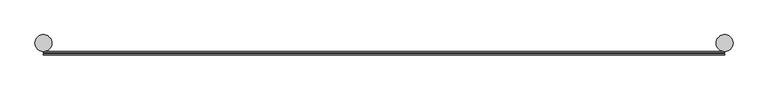
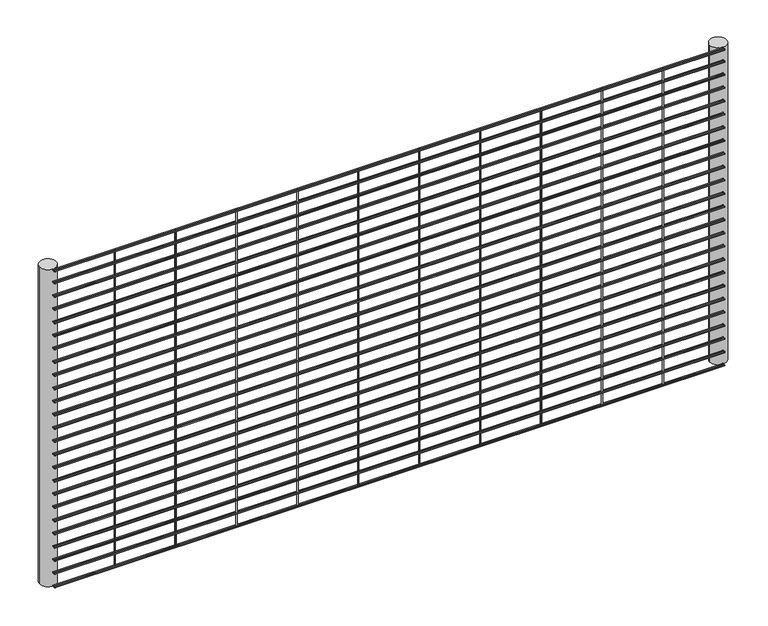
"""IFC4 building model written with IfcOpenShell, lengths in millimetres: railing geometry."""

from ifc_helpers import new_model, si_unit, point, frame, frame_2d, origin, place, context, project, spatial, circle_curve, trimmed, segment, composite_curve, outline, extrude, source, transform, mapped, element, save


def railing_2b6eda46(model_context):
    return source(origin(), model_context, "Body", "SweptSolid", [
        extrude(outline(composite_curve([segment(trimmed(circle_curve(frame_2d((5969.595995, 8836.81875)), 2.0574), [point((5971.653395, 8836.81875))], [point((5967.538595, 8836.81875))], False, "CARTESIAN"), True, "CONTINUOUS"), segment(trimmed(circle_curve(frame_2d((5969.595995, 8836.81875)), 2.0574), [point((5967.538595, 8836.81875))], [point((5971.653395, 8836.81875))], False, "CARTESIAN"), True, "CONTINUOUS")], self_intersect=False)), frame((-11285.4581376, 0.0, 0.0), z_axis=(1.0, 0.0, 0.0), x_axis=(0.0, 1.0, 0.0)), (0.0, 0.0, 1.0), 2438.4),
        extrude(outline(composite_curve([segment(trimmed(circle_curve(frame_2d((5977.7319325, 8836.81875)), 2.0574), [point((5979.7893325, 8836.81875))], [point((5975.6745325, 8836.81875))], False, "CARTESIAN"), True, "CONTINUOUS"), segment(trimmed(circle_curve(frame_2d((5977.7319325, 8836.81875)), 2.0574), [point((5975.6745325, 8836.81875))], [point((5979.7893325, 8836.81875))], False, "CARTESIAN"), True, "CONTINUOUS")], self_intersect=False)), frame((-11285.4581376, 0.0, 0.0), z_axis=(1.0, 0.0, 0.0), x_axis=(0.0, 1.0, 0.0)), (0.0, 0.0, 1.0), 2438.4),
        extrude(outline(composite_curve([segment(trimmed(circle_curve(frame_2d((5969.595995, 8790.4835937)), 2.0574), [point((5971.653395, 8790.4835937))], [point((5967.538595, 8790.4835937))], False, "CARTESIAN"), True, "CONTINUOUS"), segment(trimmed(circle_curve(frame_2d((5969.595995, 8790.4835937)), 2.0574), [point((5967.538595, 8790.4835937))], [point((5971.653395, 8790.4835937))], False, "CARTESIAN"), True, "CONTINUOUS")], self_intersect=False)), frame((-11285.4581376, 0.0, 0.0), z_axis=(1.0, 0.0, 0.0), x_axis=(0.0, 1.0, 0.0)), (0.0, 0.0, 1.0), 2438.4),
        extrude(outline(composite_curve([segment(trimmed(circle_curve(frame_2d((5977.7319325, 8790.4835937)), 2.0574), [point((5979.7893325, 8790.4835937))], [point((5975.6745325, 8790.4835937))], False, "CARTESIAN"), True, "CONTINUOUS"), segment(trimmed(circle_curve(frame_2d((5977.7319325, 8790.4835937)), 2.0574), [point((5975.6745325, 8790.4835937))], [point((5979.7893325, 8790.4835937))], False, "CARTESIAN"), True, "CONTINUOUS")], self_intersect=False)), frame((-11285.4581376, 0.0, 0.0), z_axis=(1.0, 0.0, 0.0), x_axis=(0.0, 1.0, 0.0)), (0.0, 0.0, 1.0), 2438.4),
        extrude(outline(composite_curve([segment(trimmed(circle_curve(frame_2d((5969.595995, 8739.6835937)), 2.0574), [point((5971.653395, 8739.6835937))], [point((5967.538595, 8739.6835937))], False, "CARTESIAN"), True, "CONTINUOUS"), segment(trimmed(circle_curve(frame_2d((5969.595995, 8739.6835937)), 2.0574), [point((5967.538595, 8739.6835937))], [point((5971.653395, 8739.6835937))], False, "CARTESIAN"), True, "CONTINUOUS")], self_intersect=False)), frame((-11285.4581376, 0.0, 0.0), z_axis=(1.0, 0.0, 0.0), x_axis=(0.0, 1.0, 0.0)), (0.0, 0.0, 1.0), 2438.4),
        extrude(outline(composite_curve([segment(trimmed(circle_curve(frame_2d((5977.7319325, 8739.6835937)), 2.0574), [point((5979.7893325, 8739.6835937))], [point((5975.6745325, 8739.6835937))], False, "CARTESIAN"), True, "CONTINUOUS"), segment(trimmed(circle_curve(frame_2d((5977.7319325, 8739.6835937)), 2.0574), [point((5975.6745325, 8739.6835937))], [point((5979.7893325, 8739.6835937))], False, "CARTESIAN"), True, "CONTINUOUS")], self_intersect=False)), frame((-11285.4581376, 0.0, 0.0), z_axis=(1.0, 0.0, 0.0), x_axis=(0.0, 1.0, 0.0)), (0.0, 0.0, 1.0), 2438.4),
        extrude(outline(composite_curve([segment(trimmed(circle_curve(frame_2d((5969.595995, 8688.8835937)), 2.0574), [point((5971.653395, 8688.8835937))], [point((5967.538595, 8688.8835937))], False, "CARTESIAN"), True, "CONTINUOUS"), segment(trimmed(circle_curve(frame_2d((5969.595995, 8688.8835937)), 2.0574), [point((5967.538595, 8688.8835937))], [point((5971.653395, 8688.8835937))], False, "CARTESIAN"), True, "CONTINUOUS")], self_intersect=False)), frame((-11285.4581376, 0.0, 0.0), z_axis=(1.0, 0.0, 0.0), x_axis=(0.0, 1.0, 0.0)), (0.0, 0.0, 1.0), 2438.4),
        extrude(outline(composite_curve([segment(trimmed(circle_curve(frame_2d((5977.7319325, 8688.8835937)), 2.0574), [point((5979.7893325, 8688.8835937))], [point((5975.6745325, 8688.8835937))], False, "CARTESIAN"), True, "CONTINUOUS"), segment(trimmed(circle_curve(frame_2d((5977.7319325, 8688.8835937)), 2.0574), [point((5975.6745325, 8688.8835937))], [point((5979.7893325, 8688.8835937))], False, "CARTESIAN"), True, "CONTINUOUS")], self_intersect=False)), frame((-11285.4581376, 0.0, 0.0), z_axis=(1.0, 0.0, 0.0), x_axis=(0.0, 1.0, 0.0)), (0.0, 0.0, 1.0), 2438.4),
        extrude(outline(composite_curve([segment(trimmed(circle_curve(frame_2d((5969.595995, 8638.0835937)), 2.0574), [point((5971.653395, 8638.0835937))], [point((5967.538595, 8638.0835937))], False, "CARTESIAN"), True, "CONTINUOUS"), segment(trimmed(circle_curve(frame_2d((5969.595995, 8638.0835937)), 2.0574), [point((5967.538595, 8638.0835937))], [point((5971.653395, 8638.0835937))], False, "CARTESIAN"), True, "CONTINUOUS")], self_intersect=False)), frame((-11285.4581376, 0.0, 0.0), z_axis=(1.0, 0.0, 0.0), x_axis=(0.0, 1.0, 0.0)), (0.0, 0.0, 1.0), 2438.4),
        extrude(outline(composite_curve([segment(trimmed(circle_curve(frame_2d((5977.7319325, 8638.0835937)), 2.0574), [point((5979.7893325, 8638.0835937))], [point((5975.6745325, 8638.0835937))], False, "CARTESIAN"), True, "CONTINUOUS"), segment(trimmed(circle_curve(frame_2d((5977.7319325, 8638.0835937)), 2.0574), [point((5975.6745325, 8638.0835937))], [point((5979.7893325, 8638.0835937))], False, "CARTESIAN"), True, "CONTINUOUS")], self_intersect=False)), frame((-11285.4581376, 0.0, 0.0), z_axis=(1.0, 0.0, 0.0), x_axis=(0.0, 1.0, 0.0)), (0.0, 0.0, 1.0), 2438.4),
        extrude(outline(composite_curve([segment(trimmed(circle_curve(frame_2d((5969.595995, 8587.2835937)), 2.0574), [point((5971.653395, 8587.2835937))], [point((5967.538595, 8587.2835937))], False, "CARTESIAN"), True, "CONTINUOUS"), segment(trimmed(circle_curve(frame_2d((5969.595995, 8587.2835937)), 2.0574), [point((5967.538595, 8587.2835937))], [point((5971.653395, 8587.2835937))], False, "CARTESIAN"), True, "CONTINUOUS")], self_intersect=False)), frame((-11285.4581376, 0.0, 0.0), z_axis=(1.0, 0.0, 0.0), x_axis=(0.0, 1.0, 0.0)), (0.0, 0.0, 1.0), 2438.4),
        extrude(outline(composite_curve([segment(trimmed(circle_curve(frame_2d((5977.7319325, 8587.2835937)), 2.0574), [point((5979.7893325, 8587.2835937))], [point((5975.6745325, 8587.2835937))], False, "CARTESIAN"), True, "CONTINUOUS"), segment(trimmed(circle_curve(frame_2d((5977.7319325, 8587.2835937)), 2.0574), [point((5975.6745325, 8587.2835937))], [point((5979.7893325, 8587.2835937))], False, "CARTESIAN"), True, "CONTINUOUS")], self_intersect=False)), frame((-11285.4581376, 0.0, 0.0), z_axis=(1.0, 0.0, 0.0), x_axis=(0.0, 1.0, 0.0)), (0.0, 0.0, 1.0), 2438.4),
        extrude(outline(composite_curve([segment(trimmed(circle_curve(frame_2d((5969.595995, 8536.4835937)), 2.0574), [point((5971.653395, 8536.4835937))], [point((5967.538595, 8536.4835937))], False, "CARTESIAN"), True, "CONTINUOUS"), segment(trimmed(circle_curve(frame_2d((5969.595995, 8536.4835937)), 2.0574), [point((5967.538595, 8536.4835937))], [point((5971.653395, 8536.4835937))], False, "CARTESIAN"), True, "CONTINUOUS")], self_intersect=False)), frame((-11285.4581376, 0.0, 0.0), z_axis=(1.0, 0.0, 0.0), x_axis=(0.0, 1.0, 0.0)), (0.0, 0.0, 1.0), 2438.4),
        extrude(outline(composite_curve([segment(trimmed(circle_curve(frame_2d((5977.7319325, 8536.4835937)), 2.0574), [point((5979.7893325, 8536.4835937))], [point((5975.6745325, 8536.4835937))], False, "CARTESIAN"), True, "CONTINUOUS"), segment(trimmed(circle_curve(frame_2d((5977.7319325, 8536.4835937)), 2.0574), [point((5975.6745325, 8536.4835937))], [point((5979.7893325, 8536.4835937))], False, "CARTESIAN"), True, "CONTINUOUS")], self_intersect=False)), frame((-11285.4581376, 0.0, 0.0), z_axis=(1.0, 0.0, 0.0), x_axis=(0.0, 1.0, 0.0)), (0.0, 0.0, 1.0), 2438.4),
        extrude(outline(composite_curve([segment(trimmed(circle_curve(frame_2d((5969.595995, 8485.6835937)), 2.0574), [point((5971.653395, 8485.6835937))], [point((5967.538595, 8485.6835937))], False, "CARTESIAN"), True, "CONTINUOUS"), segment(trimmed(circle_curve(frame_2d((5969.595995, 8485.6835937)), 2.0574), [point((5967.538595, 8485.6835937))], [point((5971.653395, 8485.6835937))], False, "CARTESIAN"), True, "CONTINUOUS")], self_intersect=False)), frame((-11285.4581376, 0.0, 0.0), z_axis=(1.0, 0.0, 0.0), x_axis=(0.0, 1.0, 0.0)), (0.0, 0.0, 1.0), 2438.4),
        extrude(outline(composite_curve([segment(trimmed(circle_curve(frame_2d((5977.7319325, 8485.6835937)), 2.0574), [point((5979.7893325, 8485.6835937))], [point((5975.6745325, 8485.6835937))], False, "CARTESIAN"), True, "CONTINUOUS"), segment(trimmed(circle_curve(frame_2d((5977.7319325, 8485.6835937)), 2.0574), [point((5975.6745325, 8485.6835937))], [point((5979.7893325, 8485.6835937))], False, "CARTESIAN"), True, "CONTINUOUS")], self_intersect=False)), frame((-11285.4581376, 0.0, 0.0), z_axis=(1.0, 0.0, 0.0), x_axis=(0.0, 1.0, 0.0)), (0.0, 0.0, 1.0), 2438.4),
        extrude(outline(composite_curve([segment(trimmed(circle_curve(frame_2d((5969.595995, 8434.8835937)), 2.0574), [point((5971.653395, 8434.8835937))], [point((5967.538595, 8434.8835937))], False, "CARTESIAN"), True, "CONTINUOUS"), segment(trimmed(circle_curve(frame_2d((5969.595995, 8434.8835937)), 2.0574), [point((5967.538595, 8434.8835937))], [point((5971.653395, 8434.8835937))], False, "CARTESIAN"), True, "CONTINUOUS")], self_intersect=False)), frame((-11285.4581376, 0.0, 0.0), z_axis=(1.0, 0.0, 0.0), x_axis=(0.0, 1.0, 0.0)), (0.0, 0.0, 1.0), 2438.4),
        extrude(outline(composite_curve([segment(trimmed(circle_curve(frame_2d((5977.7319325, 8434.8835937)), 2.0574), [point((5979.7893325, 8434.8835937))], [point((5975.6745325, 8434.8835937))], False, "CARTESIAN"), True, "CONTINUOUS"), segment(trimmed(circle_curve(frame_2d((5977.7319325, 8434.8835937)), 2.0574), [point((5975.6745325, 8434.8835937))], [point((5979.7893325, 8434.8835937))], False, "CARTESIAN"), True, "CONTINUOUS")], self_intersect=False)), frame((-11285.4581376, 0.0, 0.0), z_axis=(1.0, 0.0, 0.0), x_axis=(0.0, 1.0, 0.0)), (0.0, 0.0, 1.0), 2438.4),
        extrude(outline(composite_curve([segment(trimmed(circle_curve(frame_2d((5969.595995, 8384.0835937)), 2.0574), [point((5971.653395, 8384.0835937))], [point((5967.538595, 8384.0835937))], False, "CARTESIAN"), True, "CONTINUOUS"), segment(trimmed(circle_curve(frame_2d((5969.595995, 8384.0835937)), 2.0574), [point((5967.538595, 8384.0835937))], [point((5971.653395, 8384.0835937))], False, "CARTESIAN"), True, "CONTINUOUS")], self_intersect=False)), frame((-11285.4581376, 0.0, 0.0), z_axis=(1.0, 0.0, 0.0), x_axis=(0.0, 1.0, 0.0)), (0.0, 0.0, 1.0), 2438.4),
        extrude(outline(composite_curve([segment(trimmed(circle_curve(frame_2d((5977.7319325, 8384.0835937)), 2.0574), [point((5979.7893325, 8384.0835937))], [point((5975.6745325, 8384.0835937))], False, "CARTESIAN"), True, "CONTINUOUS"), segment(trimmed(circle_curve(frame_2d((5977.7319325, 8384.0835937)), 2.0574), [point((5975.6745325, 8384.0835937))], [point((5979.7893325, 8384.0835937))], False, "CARTESIAN"), True, "CONTINUOUS")], self_intersect=False)), frame((-11285.4581376, 0.0, 0.0), z_axis=(1.0, 0.0, 0.0), x_axis=(0.0, 1.0, 0.0)), (0.0, 0.0, 1.0), 2438.4),
        extrude(outline(composite_curve([segment(trimmed(circle_curve(frame_2d((5969.595995, 8333.2835937)), 2.0574), [point((5971.653395, 8333.2835937))], [point((5967.538595, 8333.2835937))], False, "CARTESIAN"), True, "CONTINUOUS"), segment(trimmed(circle_curve(frame_2d((5969.595995, 8333.2835937)), 2.0574), [point((5967.538595, 8333.2835937))], [point((5971.653395, 8333.2835937))], False, "CARTESIAN"), True, "CONTINUOUS")], self_intersect=False)), frame((-11285.4581376, 0.0, 0.0), z_axis=(1.0, 0.0, 0.0), x_axis=(0.0, 1.0, 0.0)), (0.0, 0.0, 1.0), 2438.4),
        extrude(outline(composite_curve([segment(trimmed(circle_curve(frame_2d((5977.7319325, 8333.2835937)), 2.0574), [point((5979.7893325, 8333.2835937))], [point((5975.6745325, 8333.2835937))], False, "CARTESIAN"), True, "CONTINUOUS"), segment(trimmed(circle_curve(frame_2d((5977.7319325, 8333.2835937)), 2.0574), [point((5975.6745325, 8333.2835937))], [point((5979.7893325, 8333.2835937))], False, "CARTESIAN"), True, "CONTINUOUS")], self_intersect=False)), frame((-11285.4581376, 0.0, 0.0), z_axis=(1.0, 0.0, 0.0), x_axis=(0.0, 1.0, 0.0)), (0.0, 0.0, 1.0), 2438.4),
        extrude(outline(composite_curve([segment(trimmed(circle_curve(frame_2d((5969.595995, 8282.4835937)), 2.0574), [point((5971.653395, 8282.4835937))], [point((5967.538595, 8282.4835937))], False, "CARTESIAN"), True, "CONTINUOUS"), segment(trimmed(circle_curve(frame_2d((5969.595995, 8282.4835937)), 2.0574), [point((5967.538595, 8282.4835937))], [point((5971.653395, 8282.4835937))], False, "CARTESIAN"), True, "CONTINUOUS")], self_intersect=False)), frame((-11285.4581376, 0.0, 0.0), z_axis=(1.0, 0.0, 0.0), x_axis=(0.0, 1.0, 0.0)), (0.0, 0.0, 1.0), 2438.4),
        extrude(outline(composite_curve([segment(trimmed(circle_curve(frame_2d((5977.7319325, 8282.4835937)), 2.0574), [point((5979.7893325, 8282.4835937))], [point((5975.6745325, 8282.4835937))], False, "CARTESIAN"), True, "CONTINUOUS"), segment(trimmed(circle_curve(frame_2d((5977.7319325, 8282.4835937)), 2.0574), [point((5975.6745325, 8282.4835937))], [point((5979.7893325, 8282.4835937))], False, "CARTESIAN"), True, "CONTINUOUS")], self_intersect=False)), frame((-11285.4581376, 0.0, 0.0), z_axis=(1.0, 0.0, 0.0), x_axis=(0.0, 1.0, 0.0)), (0.0, 0.0, 1.0), 2438.4),
        extrude(outline(composite_curve([segment(trimmed(circle_curve(frame_2d((5969.595995, 8231.6835937)), 2.0574), [point((5971.653395, 8231.6835937))], [point((5967.538595, 8231.6835937))], False, "CARTESIAN"), True, "CONTINUOUS"), segment(trimmed(circle_curve(frame_2d((5969.595995, 8231.6835937)), 2.0574), [point((5967.538595, 8231.6835937))], [point((5971.653395, 8231.6835937))], False, "CARTESIAN"), True, "CONTINUOUS")], self_intersect=False)), frame((-11285.4581376, 0.0, 0.0), z_axis=(1.0, 0.0, 0.0), x_axis=(0.0, 1.0, 0.0)), (0.0, 0.0, 1.0), 2438.4),
        extrude(outline(composite_curve([segment(trimmed(circle_curve(frame_2d((5977.7319325, 8231.6835937)), 2.0574), [point((5979.7893325, 8231.6835937))], [point((5975.6745325, 8231.6835937))], False, "CARTESIAN"), True, "CONTINUOUS"), segment(trimmed(circle_curve(frame_2d((5977.7319325, 8231.6835937)), 2.0574), [point((5975.6745325, 8231.6835937))], [point((5979.7893325, 8231.6835937))], False, "CARTESIAN"), True, "CONTINUOUS")], self_intersect=False)), frame((-11285.4581376, 0.0, 0.0), z_axis=(1.0, 0.0, 0.0), x_axis=(0.0, 1.0, 0.0)), (0.0, 0.0, 1.0), 2438.4),
        extrude(outline(composite_curve([segment(trimmed(circle_curve(frame_2d((5969.595995, 8180.8835937)), 2.0574), [point((5971.653395, 8180.8835937))], [point((5967.538595, 8180.8835937))], False, "CARTESIAN"), True, "CONTINUOUS"), segment(trimmed(circle_curve(frame_2d((5969.595995, 8180.8835937)), 2.0574), [point((5967.538595, 8180.8835937))], [point((5971.653395, 8180.8835937))], False, "CARTESIAN"), True, "CONTINUOUS")], self_intersect=False)), frame((-11285.4581376, 0.0, 0.0), z_axis=(1.0, 0.0, 0.0), x_axis=(0.0, 1.0, 0.0)), (0.0, 0.0, 1.0), 2438.4),
        extrude(outline(composite_curve([segment(trimmed(circle_curve(frame_2d((5977.7319325, 8180.8835937)), 2.0574), [point((5979.7893325, 8180.8835937))], [point((5975.6745325, 8180.8835937))], False, "CARTESIAN"), True, "CONTINUOUS"), segment(trimmed(circle_curve(frame_2d((5977.7319325, 8180.8835937)), 2.0574), [point((5975.6745325, 8180.8835937))], [point((5979.7893325, 8180.8835937))], False, "CARTESIAN"), True, "CONTINUOUS")], self_intersect=False)), frame((-11285.4581376, 0.0, 0.0), z_axis=(1.0, 0.0, 0.0), x_axis=(0.0, 1.0, 0.0)), (0.0, 0.0, 1.0), 2438.4),
        extrude(outline(composite_curve([segment(trimmed(circle_curve(frame_2d((5969.595995, 8130.0835937)), 2.0574), [point((5971.653395, 8130.0835937))], [point((5967.538595, 8130.0835937))], False, "CARTESIAN"), True, "CONTINUOUS"), segment(trimmed(circle_curve(frame_2d((5969.595995, 8130.0835937)), 2.0574), [point((5967.538595, 8130.0835937))], [point((5971.653395, 8130.0835937))], False, "CARTESIAN"), True, "CONTINUOUS")], self_intersect=False)), frame((-11285.4581376, 0.0, 0.0), z_axis=(1.0, 0.0, 0.0), x_axis=(0.0, 1.0, 0.0)), (0.0, 0.0, 1.0), 2438.4),
        extrude(outline(composite_curve([segment(trimmed(circle_curve(frame_2d((5977.7319325, 8130.0835937)), 2.0574), [point((5979.7893325, 8130.0835937))], [point((5975.6745325, 8130.0835937))], False, "CARTESIAN"), True, "CONTINUOUS"), segment(trimmed(circle_curve(frame_2d((5977.7319325, 8130.0835937)), 2.0574), [point((5975.6745325, 8130.0835937))], [point((5979.7893325, 8130.0835937))], False, "CARTESIAN"), True, "CONTINUOUS")], self_intersect=False)), frame((-11285.4581376, 0.0, 0.0), z_axis=(1.0, 0.0, 0.0), x_axis=(0.0, 1.0, 0.0)), (0.0, 0.0, 1.0), 2438.4),
        extrude(outline(composite_curve([segment(trimmed(circle_curve(frame_2d((5969.595995, 8079.2835937)), 2.0574), [point((5971.653395, 8079.2835937))], [point((5967.538595, 8079.2835937))], False, "CARTESIAN"), True, "CONTINUOUS"), segment(trimmed(circle_curve(frame_2d((5969.595995, 8079.2835937)), 2.0574), [point((5967.538595, 8079.2835937))], [point((5971.653395, 8079.2835937))], False, "CARTESIAN"), True, "CONTINUOUS")], self_intersect=False)), frame((-11285.4581376, 0.0, 0.0), z_axis=(1.0, 0.0, 0.0), x_axis=(0.0, 1.0, 0.0)), (0.0, 0.0, 1.0), 2438.4),
        extrude(outline(composite_curve([segment(trimmed(circle_curve(frame_2d((5977.7319325, 8079.2835937)), 2.0574), [point((5979.7893325, 8079.2835937))], [point((5975.6745325, 8079.2835937))], False, "CARTESIAN"), True, "CONTINUOUS"), segment(trimmed(circle_curve(frame_2d((5977.7319325, 8079.2835937)), 2.0574), [point((5975.6745325, 8079.2835937))], [point((5979.7893325, 8079.2835937))], False, "CARTESIAN"), True, "CONTINUOUS")], self_intersect=False)), frame((-11285.4581376, 0.0, 0.0), z_axis=(1.0, 0.0, 0.0), x_axis=(0.0, 1.0, 0.0)), (0.0, 0.0, 1.0), 2438.4),
        extrude(outline(composite_curve([segment(trimmed(circle_curve(frame_2d((5969.595995, 8028.4835937)), 2.0574), [point((5971.653395, 8028.4835937))], [point((5967.538595, 8028.4835937))], False, "CARTESIAN"), True, "CONTINUOUS"), segment(trimmed(circle_curve(frame_2d((5969.595995, 8028.4835937)), 2.0574), [point((5967.538595, 8028.4835937))], [point((5971.653395, 8028.4835937))], False, "CARTESIAN"), True, "CONTINUOUS")], self_intersect=False)), frame((-11285.4581376, 0.0, 0.0), z_axis=(1.0, 0.0, 0.0), x_axis=(0.0, 1.0, 0.0)), (0.0, 0.0, 1.0), 2438.4),
        extrude(outline(composite_curve([segment(trimmed(circle_curve(frame_2d((5977.7319325, 8028.4835937)), 2.0574), [point((5979.7893325, 8028.4835937))], [point((5975.6745325, 8028.4835937))], False, "CARTESIAN"), True, "CONTINUOUS"), segment(trimmed(circle_curve(frame_2d((5977.7319325, 8028.4835937)), 2.0574), [point((5975.6745325, 8028.4835937))], [point((5979.7893325, 8028.4835937))], False, "CARTESIAN"), True, "CONTINUOUS")], self_intersect=False)), frame((-11285.4581376, 0.0, 0.0), z_axis=(1.0, 0.0, 0.0), x_axis=(0.0, 1.0, 0.0)), (0.0, 0.0, 1.0), 2438.4),
        extrude(outline(composite_curve([segment(trimmed(circle_curve(frame_2d((5969.595995, 7977.6835937)), 2.0574), [point((5971.653395, 7977.6835937))], [point((5967.538595, 7977.6835937))], False, "CARTESIAN"), True, "CONTINUOUS"), segment(trimmed(circle_curve(frame_2d((5969.595995, 7977.6835937)), 2.0574), [point((5967.538595, 7977.6835937))], [point((5971.653395, 7977.6835937))], False, "CARTESIAN"), True, "CONTINUOUS")], self_intersect=False)), frame((-11285.4581376, 0.0, 0.0), z_axis=(1.0, 0.0, 0.0), x_axis=(0.0, 1.0, 0.0)), (0.0, 0.0, 1.0), 2438.4),
        extrude(outline(composite_curve([segment(trimmed(circle_curve(frame_2d((5977.7319325, 7977.6835937)), 2.0574), [point((5979.7893325, 7977.6835937))], [point((5975.6745325, 7977.6835937))], False, "CARTESIAN"), True, "CONTINUOUS"), segment(trimmed(circle_curve(frame_2d((5977.7319325, 7977.6835937)), 2.0574), [point((5975.6745325, 7977.6835937))], [point((5979.7893325, 7977.6835937))], False, "CARTESIAN"), True, "CONTINUOUS")], self_intersect=False)), frame((-11285.4581376, 0.0, 0.0), z_axis=(1.0, 0.0, 0.0), x_axis=(0.0, 1.0, 0.0)), (0.0, 0.0, 1.0), 2438.4),
        extrude(outline(composite_curve([segment(trimmed(circle_curve(frame_2d((5969.595995, 7926.8835937)), 2.0574), [point((5971.653395, 7926.8835937))], [point((5967.538595, 7926.8835937))], False, "CARTESIAN"), True, "CONTINUOUS"), segment(trimmed(circle_curve(frame_2d((5969.595995, 7926.8835937)), 2.0574), [point((5967.538595, 7926.8835937))], [point((5971.653395, 7926.8835937))], False, "CARTESIAN"), True, "CONTINUOUS")], self_intersect=False)), frame((-11285.4581376, 0.0, 0.0), z_axis=(1.0, 0.0, 0.0), x_axis=(0.0, 1.0, 0.0)), (0.0, 0.0, 1.0), 2438.4),
        extrude(outline(composite_curve([segment(trimmed(circle_curve(frame_2d((5977.7319325, 7926.8835937)), 2.0574), [point((5979.7893325, 7926.8835937))], [point((5975.6745325, 7926.8835937))], False, "CARTESIAN"), True, "CONTINUOUS"), segment(trimmed(circle_curve(frame_2d((5977.7319325, 7926.8835937)), 2.0574), [point((5975.6745325, 7926.8835937))], [point((5979.7893325, 7926.8835937))], False, "CARTESIAN"), True, "CONTINUOUS")], self_intersect=False)), frame((-11285.4581376, 0.0, 0.0), z_axis=(1.0, 0.0, 0.0), x_axis=(0.0, 1.0, 0.0)), (0.0, 0.0, 1.0), 2438.4),
        extrude(outline(composite_curve([segment(trimmed(circle_curve(frame_2d((5969.595995, 7876.0835937)), 2.0574), [point((5971.653395, 7876.0835937))], [point((5967.538595, 7876.0835937))], False, "CARTESIAN"), True, "CONTINUOUS"), segment(trimmed(circle_curve(frame_2d((5969.595995, 7876.0835937)), 2.0574), [point((5967.538595, 7876.0835937))], [point((5971.653395, 7876.0835937))], False, "CARTESIAN"), True, "CONTINUOUS")], self_intersect=False)), frame((-11285.4581376, 0.0, 0.0), z_axis=(1.0, 0.0, 0.0), x_axis=(0.0, 1.0, 0.0)), (0.0, 0.0, 1.0), 2438.4),
        extrude(outline(composite_curve([segment(trimmed(circle_curve(frame_2d((5977.7319325, 7876.0835937)), 2.0574), [point((5979.7893325, 7876.0835937))], [point((5975.6745325, 7876.0835937))], False, "CARTESIAN"), True, "CONTINUOUS"), segment(trimmed(circle_curve(frame_2d((5977.7319325, 7876.0835937)), 2.0574), [point((5975.6745325, 7876.0835937))], [point((5979.7893325, 7876.0835937))], False, "CARTESIAN"), True, "CONTINUOUS")], self_intersect=False)), frame((-11285.4581376, 0.0, 0.0), z_axis=(1.0, 0.0, 0.0), x_axis=(0.0, 1.0, 0.0)), (0.0, 0.0, 1.0), 2438.4),
        extrude(outline(composite_curve([segment(trimmed(circle_curve(frame_2d((5969.595995, 7825.2835937)), 2.0574), [point((5971.653395, 7825.2835937))], [point((5967.538595, 7825.2835937))], False, "CARTESIAN"), True, "CONTINUOUS"), segment(trimmed(circle_curve(frame_2d((5969.595995, 7825.2835937)), 2.0574), [point((5967.538595, 7825.2835937))], [point((5971.653395, 7825.2835937))], False, "CARTESIAN"), True, "CONTINUOUS")], self_intersect=False)), frame((-11285.4581376, 0.0, 0.0), z_axis=(1.0, 0.0, 0.0), x_axis=(0.0, 1.0, 0.0)), (0.0, 0.0, 1.0), 2438.4),
        extrude(outline(composite_curve([segment(trimmed(circle_curve(frame_2d((5977.7319325, 7825.2835937)), 2.0574), [point((5979.7893325, 7825.2835937))], [point((5975.6745325, 7825.2835937))], False, "CARTESIAN"), True, "CONTINUOUS"), segment(trimmed(circle_curve(frame_2d((5977.7319325, 7825.2835937)), 2.0574), [point((5975.6745325, 7825.2835937))], [point((5979.7893325, 7825.2835937))], False, "CARTESIAN"), True, "CONTINUOUS")], self_intersect=False)), frame((-11285.4581376, 0.0, 0.0), z_axis=(1.0, 0.0, 0.0), x_axis=(0.0, 1.0, 0.0)), (0.0, 0.0, 1.0), 2438.4),
        extrude(outline(composite_curve([segment(trimmed(circle_curve(frame_2d((5969.595995, 7774.4835937)), 2.0574), [point((5971.653395, 7774.4835937))], [point((5967.538595, 7774.4835937))], False, "CARTESIAN"), True, "CONTINUOUS"), segment(trimmed(circle_curve(frame_2d((5969.595995, 7774.4835937)), 2.0574), [point((5967.538595, 7774.4835937))], [point((5971.653395, 7774.4835937))], False, "CARTESIAN"), True, "CONTINUOUS")], self_intersect=False)), frame((-11285.4581376, 0.0, 0.0), z_axis=(1.0, 0.0, 0.0), x_axis=(0.0, 1.0, 0.0)), (0.0, 0.0, 1.0), 2438.4),
        extrude(outline(composite_curve([segment(trimmed(circle_curve(frame_2d((5977.7319325, 7774.4835937)), 2.0574), [point((5979.7893325, 7774.4835937))], [point((5975.6745325, 7774.4835937))], False, "CARTESIAN"), True, "CONTINUOUS"), segment(trimmed(circle_curve(frame_2d((5977.7319325, 7774.4835937)), 2.0574), [point((5975.6745325, 7774.4835937))], [point((5979.7893325, 7774.4835937))], False, "CARTESIAN"), True, "CONTINUOUS")], self_intersect=False)), frame((-11285.4581376, 0.0, 0.0), z_axis=(1.0, 0.0, 0.0), x_axis=(0.0, 1.0, 0.0)), (0.0, 0.0, 1.0), 2438.4),
        extrude(outline(composite_curve([segment(trimmed(circle_curve(frame_2d((5969.595995, 7723.6835937)), 2.0574), [point((5971.653395, 7723.6835937))], [point((5967.538595, 7723.6835937))], False, "CARTESIAN"), True, "CONTINUOUS"), segment(trimmed(circle_curve(frame_2d((5969.595995, 7723.6835937)), 2.0574), [point((5967.538595, 7723.6835937))], [point((5971.653395, 7723.6835937))], False, "CARTESIAN"), True, "CONTINUOUS")], self_intersect=False)), frame((-11285.4581376, 0.0, 0.0), z_axis=(1.0, 0.0, 0.0), x_axis=(0.0, 1.0, 0.0)), (0.0, 0.0, 1.0), 2438.4),
        extrude(outline(composite_curve([segment(trimmed(circle_curve(frame_2d((5977.7319325, 7723.6835937)), 2.0574), [point((5979.7893325, 7723.6835937))], [point((5975.6745325, 7723.6835937))], False, "CARTESIAN"), True, "CONTINUOUS"), segment(trimmed(circle_curve(frame_2d((5977.7319325, 7723.6835937)), 2.0574), [point((5975.6745325, 7723.6835937))], [point((5979.7893325, 7723.6835937))], False, "CARTESIAN"), True, "CONTINUOUS")], self_intersect=False)), frame((-11285.4581376, 0.0, 0.0), z_axis=(1.0, 0.0, 0.0), x_axis=(0.0, 1.0, 0.0)), (0.0, 0.0, 1.0), 2438.4),
        extrude(outline(composite_curve([segment(trimmed(circle_curve(frame_2d((5969.595995, 7672.8835937)), 2.0574), [point((5971.653395, 7672.8835937))], [point((5967.538595, 7672.8835937))], False, "CARTESIAN"), True, "CONTINUOUS"), segment(trimmed(circle_curve(frame_2d((5969.595995, 7672.8835937)), 2.0574), [point((5967.538595, 7672.8835937))], [point((5971.653395, 7672.8835937))], False, "CARTESIAN"), True, "CONTINUOUS")], self_intersect=False)), frame((-11285.4581376, 0.0, 0.0), z_axis=(1.0, 0.0, 0.0), x_axis=(0.0, 1.0, 0.0)), (0.0, 0.0, 1.0), 2438.4),
        extrude(outline(composite_curve([segment(trimmed(circle_curve(frame_2d((5977.7319325, 7672.8835937)), 2.0574), [point((5979.7893325, 7672.8835937))], [point((5975.6745325, 7672.8835937))], False, "CARTESIAN"), True, "CONTINUOUS"), segment(trimmed(circle_curve(frame_2d((5977.7319325, 7672.8835937)), 2.0574), [point((5975.6745325, 7672.8835937))], [point((5979.7893325, 7672.8835937))], False, "CARTESIAN"), True, "CONTINUOUS")], self_intersect=False)), frame((-11285.4581376, 0.0, 0.0), z_axis=(1.0, 0.0, 0.0), x_axis=(0.0, 1.0, 0.0)), (0.0, 0.0, 1.0), 2438.4),
        extrude(outline(composite_curve([segment(trimmed(circle_curve(frame_2d((5969.595995, 7622.0835937)), 2.0574), [point((5971.653395, 7622.0835937))], [point((5967.538595, 7622.0835937))], False, "CARTESIAN"), True, "CONTINUOUS"), segment(trimmed(circle_curve(frame_2d((5969.595995, 7622.0835937)), 2.0574), [point((5967.538595, 7622.0835937))], [point((5971.653395, 7622.0835937))], False, "CARTESIAN"), True, "CONTINUOUS")], self_intersect=False)), frame((-11285.4581376, 0.0, 0.0), z_axis=(1.0, 0.0, 0.0), x_axis=(0.0, 1.0, 0.0)), (0.0, 0.0, 1.0), 2438.4),
        extrude(outline(composite_curve([segment(trimmed(circle_curve(frame_2d((5977.7319325, 7622.0835937)), 2.0574), [point((5979.7893325, 7622.0835937))], [point((5975.6745325, 7622.0835937))], False, "CARTESIAN"), True, "CONTINUOUS"), segment(trimmed(circle_curve(frame_2d((5977.7319325, 7622.0835937)), 2.0574), [point((5975.6745325, 7622.0835937))], [point((5979.7893325, 7622.0835937))], False, "CARTESIAN"), True, "CONTINUOUS")], self_intersect=False)), frame((-11285.4581376, 0.0, 0.0), z_axis=(1.0, 0.0, 0.0), x_axis=(0.0, 1.0, 0.0)), (0.0, 0.0, 1.0), 2438.4),
        extrude(outline(composite_curve([segment(trimmed(circle_curve(frame_2d((-9068.7308649, 5973.6639637)), 2.0574), [point((-9066.6734649, 5973.6639637))], [point((-9070.7882649, 5973.6639637))], False, "CARTESIAN"), True, "CONTINUOUS"), segment(trimmed(circle_curve(frame_2d((-9068.7308649, 5973.6639637)), 2.0574), [point((-9070.7882649, 5973.6639637))], [point((-9066.6734649, 5973.6639637))], False, "CARTESIAN"), True, "CONTINUOUS")], self_intersect=False)), frame((0.0, 0.0, 7620.0), z_axis=(0.0, 0.0, 1.0), x_axis=(1.0, 0.0, 0.0)), (0.0, 0.0, 1.0), 1219.2),
        extrude(outline(composite_curve([segment(trimmed(circle_curve(frame_2d((-9290.4035922, 5973.6639637)), 2.0574), [point((-9288.3461922, 5973.6639637))], [point((-9292.4609922, 5973.6639637))], False, "CARTESIAN"), True, "CONTINUOUS"), segment(trimmed(circle_curve(frame_2d((-9290.4035922, 5973.6639637)), 2.0574), [point((-9292.4609922, 5973.6639637))], [point((-9288.3461922, 5973.6639637))], False, "CARTESIAN"), True, "CONTINUOUS")], self_intersect=False)), frame((0.0, 0.0, 7620.0), z_axis=(0.0, 0.0, 1.0), x_axis=(1.0, 0.0, 0.0)), (0.0, 0.0, 1.0), 1219.2),
        extrude(outline(composite_curve([segment(trimmed(circle_curve(frame_2d((-9512.0763194, 5973.6639637)), 2.0574), [point((-9510.0189194, 5973.6639637))], [point((-9514.1337194, 5973.6639637))], False, "CARTESIAN"), True, "CONTINUOUS"), segment(trimmed(circle_curve(frame_2d((-9512.0763194, 5973.6639637)), 2.0574), [point((-9514.1337194, 5973.6639637))], [point((-9510.0189194, 5973.6639637))], False, "CARTESIAN"), True, "CONTINUOUS")], self_intersect=False)), frame((0.0, 0.0, 7620.0), z_axis=(0.0, 0.0, 1.0), x_axis=(1.0, 0.0, 0.0)), (0.0, 0.0, 1.0), 1219.2),
        extrude(outline(composite_curve([segment(trimmed(circle_curve(frame_2d((-9733.7490467, 5973.6639637)), 2.0574), [point((-9731.6916467, 5973.6639637))], [point((-9735.8064467, 5973.6639637))], False, "CARTESIAN"), True, "CONTINUOUS"), segment(trimmed(circle_curve(frame_2d((-9733.7490467, 5973.6639637)), 2.0574), [point((-9735.8064467, 5973.6639637))], [point((-9731.6916467, 5973.6639637))], False, "CARTESIAN"), True, "CONTINUOUS")], self_intersect=False)), frame((0.0, 0.0, 7620.0), z_axis=(0.0, 0.0, 1.0), x_axis=(1.0, 0.0, 0.0)), (0.0, 0.0, 1.0), 1219.2),
        extrude(outline(composite_curve([segment(trimmed(circle_curve(frame_2d((-9955.421774, 5973.6639637)), 2.0574), [point((-9953.364374, 5973.6639637))], [point((-9957.479174, 5973.6639637))], False, "CARTESIAN"), True, "CONTINUOUS"), segment(trimmed(circle_curve(frame_2d((-9955.421774, 5973.6639637)), 2.0574), [point((-9957.479174, 5973.6639637))], [point((-9953.364374, 5973.6639637))], False, "CARTESIAN"), True, "CONTINUOUS")], self_intersect=False)), frame((0.0, 0.0, 7620.0), z_axis=(0.0, 0.0, 1.0), x_axis=(1.0, 0.0, 0.0)), (0.0, 0.0, 1.0), 1219.2),
        extrude(outline(composite_curve([segment(trimmed(circle_curve(frame_2d((-10177.0945012, 5973.6639637)), 2.0574), [point((-10175.0371012, 5973.6639637))], [point((-10179.1519012, 5973.6639637))], False, "CARTESIAN"), True, "CONTINUOUS"), segment(trimmed(circle_curve(frame_2d((-10177.0945012, 5973.6639637)), 2.0574), [point((-10179.1519012, 5973.6639637))], [point((-10175.0371012, 5973.6639637))], False, "CARTESIAN"), True, "CONTINUOUS")], self_intersect=False)), frame((0.0, 0.0, 7620.0), z_axis=(0.0, 0.0, 1.0), x_axis=(1.0, 0.0, 0.0)), (0.0, 0.0, 1.0), 1219.2),
        extrude(outline(composite_curve([segment(trimmed(circle_curve(frame_2d((-10398.7672285, 5973.6639637)), 2.0574), [point((-10396.7098285, 5973.6639637))], [point((-10400.8246285, 5973.6639637))], False, "CARTESIAN"), True, "CONTINUOUS"), segment(trimmed(circle_curve(frame_2d((-10398.7672285, 5973.6639637)), 2.0574), [point((-10400.8246285, 5973.6639637))], [point((-10396.7098285, 5973.6639637))], False, "CARTESIAN"), True, "CONTINUOUS")], self_intersect=False)), frame((0.0, 0.0, 7620.0), z_axis=(0.0, 0.0, 1.0), x_axis=(1.0, 0.0, 0.0)), (0.0, 0.0, 1.0), 1219.2),
        extrude(outline(composite_curve([segment(trimmed(circle_curve(frame_2d((-10620.4399558, 5973.6639637)), 2.0574), [point((-10618.3825558, 5973.6639637))], [point((-10622.4973558, 5973.6639637))], False, "CARTESIAN"), True, "CONTINUOUS"), segment(trimmed(circle_curve(frame_2d((-10620.4399558, 5973.6639637)), 2.0574), [point((-10622.4973558, 5973.6639637))], [point((-10618.3825558, 5973.6639637))], False, "CARTESIAN"), True, "CONTINUOUS")], self_intersect=False)), frame((0.0, 0.0, 7620.0), z_axis=(0.0, 0.0, 1.0), x_axis=(1.0, 0.0, 0.0)), (0.0, 0.0, 1.0), 1219.2),
        extrude(outline(composite_curve([segment(trimmed(circle_curve(frame_2d((-10842.1126831, 5973.6639637)), 2.0574), [point((-10840.0552831, 5973.6639637))], [point((-10844.1700831, 5973.6639637))], False, "CARTESIAN"), True, "CONTINUOUS"), segment(trimmed(circle_curve(frame_2d((-10842.1126831, 5973.6639637)), 2.0574), [point((-10844.1700831, 5973.6639637))], [point((-10840.0552831, 5973.6639637))], False, "CARTESIAN"), True, "CONTINUOUS")], self_intersect=False)), frame((0.0, 0.0, 7620.0), z_axis=(0.0, 0.0, 1.0), x_axis=(1.0, 0.0, 0.0)), (0.0, 0.0, 1.0), 1219.2),
        extrude(outline(composite_curve([segment(trimmed(circle_curve(frame_2d((-11063.7854103, 5973.6639637)), 2.0574), [point((-11061.7280103, 5973.6639637))], [point((-11065.8428103, 5973.6639637))], False, "CARTESIAN"), True, "CONTINUOUS"), segment(trimmed(circle_curve(frame_2d((-11063.7854103, 5973.6639637)), 2.0574), [point((-11065.8428103, 5973.6639637))], [point((-11061.7280103, 5973.6639637))], False, "CARTESIAN"), True, "CONTINUOUS")], self_intersect=False)), frame((0.0, 0.0, 7620.0), z_axis=(0.0, 0.0, 1.0), x_axis=(1.0, 0.0, 0.0)), (0.0, 0.0, 1.0), 1219.2),
        extrude(outline(composite_curve([segment(trimmed(circle_curve(frame_2d((-8847.0581376, 6010.1764637)), 30.1625), [point((-8877.2206376, 6010.1764637))], [point((-8816.8956376, 6010.1764637))], False, "CARTESIAN"), True, "CONTINUOUS"), segment(trimmed(circle_curve(frame_2d((-8847.0581376, 6010.1764637)), 30.1625), [point((-8816.8956376, 6010.1764637))], [point((-8877.2206376, 6010.1764637))], False, "CARTESIAN"), True, "CONTINUOUS")], self_intersect=False)), frame((0.0, 0.0, 7620.0), z_axis=(0.0, 0.0, 1.0), x_axis=(1.0, 0.0, 0.0)), (0.0, 0.0, 1.0), 1219.2),
        extrude(outline(composite_curve([segment(trimmed(circle_curve(frame_2d((-11285.4581376, 6010.1764637)), 30.1625), [point((-11315.6206376, 6010.1764637))], [point((-11255.2956376, 6010.1764637))], False, "CARTESIAN"), True, "CONTINUOUS"), segment(trimmed(circle_curve(frame_2d((-11285.4581376, 6010.1764637)), 30.1625), [point((-11255.2956376, 6010.1764637))], [point((-11315.6206376, 6010.1764637))], False, "CARTESIAN"), True, "CONTINUOUS")], self_intersect=False)), frame((0.0, 0.0, 7620.0), z_axis=(0.0, 0.0, 1.0), x_axis=(1.0, 0.0, 0.0)), (0.0, 0.0, 1.0), 1219.2),
    ])


if __name__ == "__main__":
    model = new_model("IFC4")
    model_context = context("Model", 3, world=origin())
    ifc_project = project(units=[si_unit("LENGTHUNIT", "METRE", prefix="MILLI")], contexts=[model_context])
    site = spatial("IfcSite", under=ifc_project)
    building = spatial("IfcBuilding", under=site)
    placement = place(None, origin())
    railing_shape = railing_2b6eda46(model_context)
    element("IfcRailing", 1, at=placement, inside=building, context=model_context, shape_type="MappedRepresentation", body=[
        mapped(railing_shape, transform((0.0, 0.0, 0.0), x_axis=(1.0, 0.0, 0.0), y_axis=(0.0, 1.0, 0.0), z_axis=(0.0, 0.0, 1.0))),
    ])
    save(model, "model.ifc")
